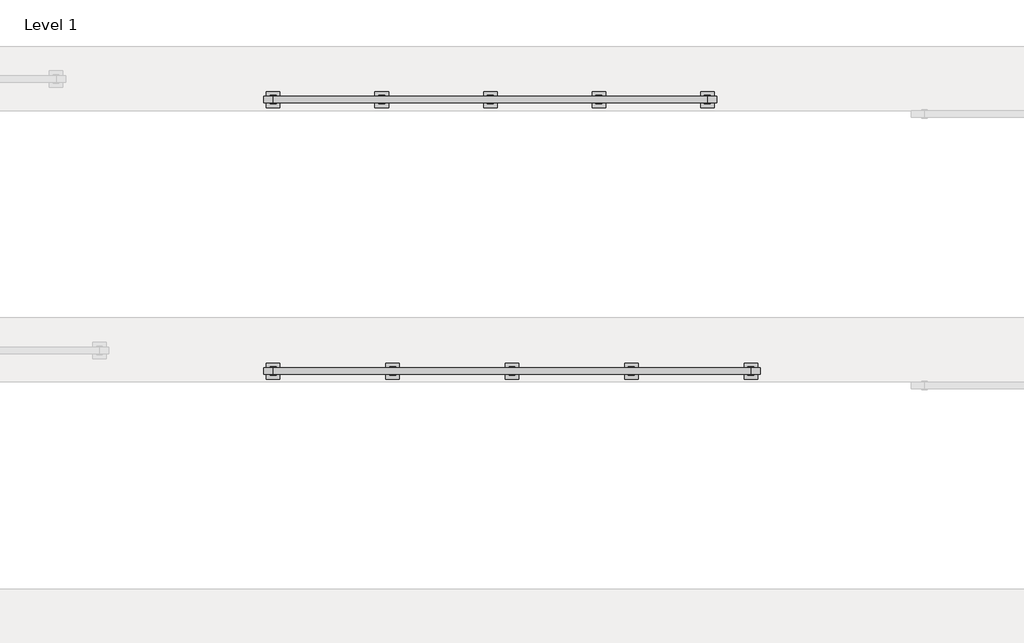
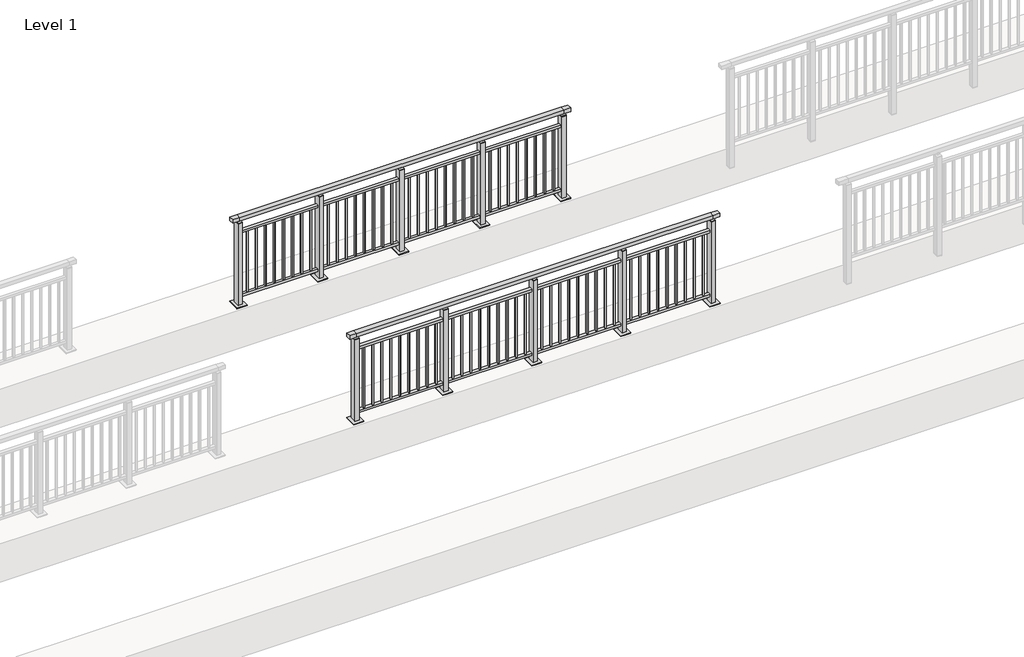
# One storey, part 6 of 38: 2 railings.
"""IFC4 building model written with IfcOpenShell, lengths in millimetres."""

from ifc_helpers import new_model, si_unit, frame, origin, origin_with_axes, place, context, project, spatial, polyline, outline, extrude, faceted_brep, element, save

model = new_model("IFC4")

# Units and contexts
model_context = context("Model", 3, world=origin())
ifc_project = project(units=[si_unit("LENGTHUNIT", "METRE", prefix="MILLI")], contexts=[model_context])

# Site, building, storey
site = spatial("IfcSite", under=ifc_project)
building = spatial("IfcBuilding", under=site)
storey = spatial("IfcBuildingStorey", under=building, Name="Level 1", Elevation=0.0)

# Railings
placement = place(None, origin())
element("IfcRailing", 1, at=placement, inside=storey, context=model_context, shape_type="SolidModel", body=[
    faceted_brep([(6000.0, 5030.1846828, 1102.5), (6000.0, 5030.1846828, 1150.0), (10400.0, 5030.1846828, 1150.0), (10400.0, 5030.1846828, 1102.5), (6000.0, 4970.1846828, 1102.5), (10400.0, 4970.1846828, 1102.5), (6000.0, 4970.1846828, 1150.0), (10400.0, 4970.1846828, 1150.0), (5912.5, 5030.1846828, 1150.0), (5912.5, 5030.1846828, 1102.5), (5912.5, 4970.1846828, 1102.5), (5912.5, 4970.1846828, 1150.0), (10487.5, 5030.1846828, 1150.0), (10487.5, 4970.1846828, 1150.0), (10487.5, 4970.1846828, 1102.5), (10487.5, 5030.1846828, 1102.5)], [[[0, 1, 2, 3]], [[4, 0, 3, 5]], [[6, 4, 5, 7]], [[1, 6, 7, 2]], [[8, 9, 10, 11]], [[9, 8, 1, 0]], [[10, 9, 0, 4]], [[11, 10, 4, 6]], [[8, 11, 6, 1]], [[12, 13, 14, 15]], [[3, 2, 12, 15]], [[5, 3, 15, 14]], [[7, 5, 14, 13]], [[2, 7, 13, 12]]]),
    extrude(outline(polyline([(6000.0, 4982.1846828), (6000.0, 5018.1846828), (10400.0, 5018.1846828), (10400.0, 4982.1846828), (6000.0, 4982.1846828)])), frame((0.0, 0.0, 928.0), z_axis=(0.0, 0.0, 1.0), x_axis=(1.0, 0.0, 0.0)), (0.0, 0.0, 1.0), 32.0),
    extrude(outline(polyline([(6000.0, 4982.1846828), (6000.0, 5018.1846828), (10400.0, 5018.1846828), (10400.0, 4982.1846828), (6000.0, 4982.1846828)])), frame((0.0, 0.0, 93.0), z_axis=(0.0, 0.0, 1.0), x_axis=(1.0, 0.0, 0.0)), (0.0, 0.0, 1.0), 32.0),
    extrude(outline(polyline([(10306.5, 5008.6846828), (10306.5, 4991.6846828), (10289.5, 4991.6846828), (10289.5, 5008.6846828), (10306.5, 5008.6846828)])), frame((0.0, 0.0, 125.0), z_axis=(0.0, 0.0, 1.0), x_axis=(1.0, 0.0, 0.0)), (0.0, 0.0, 1.0), 803.0),
    extrude(outline(polyline([(10194.5, 5008.6846828), (10194.5, 4991.6846828), (10177.5, 4991.6846828), (10177.5, 5008.6846828), (10194.5, 5008.6846828)])), frame((0.0, 0.0, 125.0), z_axis=(0.0, 0.0, 1.0), x_axis=(1.0, 0.0, 0.0)), (0.0, 0.0, 1.0), 803.0),
    extrude(outline(polyline([(10082.5, 5008.6846828), (10082.5, 4991.6846828), (10065.5, 4991.6846828), (10065.5, 5008.6846828), (10082.5, 5008.6846828)])), frame((0.0, 0.0, 125.0), z_axis=(0.0, 0.0, 1.0), x_axis=(1.0, 0.0, 0.0)), (0.0, 0.0, 1.0), 803.0),
    extrude(outline(polyline([(9970.5, 5008.6846828), (9970.5, 4991.6846828), (9953.5, 4991.6846828), (9953.5, 5008.6846828), (9970.5, 5008.6846828)])), frame((0.0, 0.0, 125.0), z_axis=(0.0, 0.0, 1.0), x_axis=(1.0, 0.0, 0.0)), (0.0, 0.0, 1.0), 803.0),
    extrude(outline(polyline([(9858.5, 5008.6846828), (9858.5, 4991.6846828), (9841.5, 4991.6846828), (9841.5, 5008.6846828), (9858.5, 5008.6846828)])), frame((0.0, 0.0, 125.0), z_axis=(0.0, 0.0, 1.0), x_axis=(1.0, 0.0, 0.0)), (0.0, 0.0, 1.0), 803.0),
    extrude(outline(polyline([(9746.5, 5008.6846828), (9746.5, 4991.6846828), (9729.5, 4991.6846828), (9729.5, 5008.6846828), (9746.5, 5008.6846828)])), frame((0.0, 0.0, 125.0), z_axis=(0.0, 0.0, 1.0), x_axis=(1.0, 0.0, 0.0)), (0.0, 0.0, 1.0), 803.0),
    extrude(outline(polyline([(9634.5, 5008.6846828), (9634.5, 4991.6846828), (9617.5, 4991.6846828), (9617.5, 5008.6846828), (9634.5, 5008.6846828)])), frame((0.0, 0.0, 125.0), z_axis=(0.0, 0.0, 1.0), x_axis=(1.0, 0.0, 0.0)), (0.0, 0.0, 1.0), 803.0),
    extrude(outline(polyline([(9522.5, 5008.6846828), (9522.5, 4991.6846828), (9505.5, 4991.6846828), (9505.5, 5008.6846828), (9522.5, 5008.6846828)])), frame((0.0, 0.0, 125.0), z_axis=(0.0, 0.0, 1.0), x_axis=(1.0, 0.0, 0.0)), (0.0, 0.0, 1.0), 803.0),
    extrude(outline(polyline([(9410.5, 5008.6846828), (9410.5, 4991.6846828), (9393.5, 4991.6846828), (9393.5, 5008.6846828), (9410.5, 5008.6846828)])), frame((0.0, 0.0, 125.0), z_axis=(0.0, 0.0, 1.0), x_axis=(1.0, 0.0, 0.0)), (0.0, 0.0, 1.0), 803.0),
    extrude(outline(polyline([(9310.0, 4990.1846828), (9290.0, 4990.1846828), (9290.0, 5010.1846828), (9310.0, 5010.1846828), (9310.0, 4990.1846828)])), frame((0.0, 0.0, 1085.0), z_axis=(0.0, 0.0, 1.0), x_axis=(1.0, 0.0, 0.0)), (0.0, 0.0, 1.0), 20.0),
    extrude(outline(polyline([(9327.0, 4961.1846828), (9273.0, 4961.1846828), (9273.0, 5039.1846828), (9327.0, 5039.1846828), (9327.0, 4961.1846828)])), frame((0.0, 0.0, 1077.0), z_axis=(0.0, 0.0, 1.0), x_axis=(1.0, 0.0, 0.0)), (0.0, 0.0, 1.0), 8.0),
    extrude(outline(polyline([(9362.5, 4925.1846828), (9237.5, 4925.1846828), (9237.5, 5075.1846828), (9362.5, 5075.1846828), (9362.5, 4925.1846828)])), origin_with_axes(), (0.0, 0.0, 1.0), 12.0),
    extrude(outline(polyline([(9327.0, 4961.1846828), (9273.0, 4961.1846828), (9273.0, 5039.1846828), (9327.0, 5039.1846828), (9327.0, 4961.1846828)])), frame((0.0, 0.0, 12.0), z_axis=(0.0, 0.0, 1.0), x_axis=(1.0, 0.0, 0.0)), (0.0, 0.0, 1.0), 1065.0),
    extrude(outline(polyline([(9206.5, 5008.6846828), (9206.5, 4991.6846828), (9189.5, 4991.6846828), (9189.5, 5008.6846828), (9206.5, 5008.6846828)])), frame((0.0, 0.0, 125.0), z_axis=(0.0, 0.0, 1.0), x_axis=(1.0, 0.0, 0.0)), (0.0, 0.0, 1.0), 803.0),
    extrude(outline(polyline([(9094.5, 5008.6846828), (9094.5, 4991.6846828), (9077.5, 4991.6846828), (9077.5, 5008.6846828), (9094.5, 5008.6846828)])), frame((0.0, 0.0, 125.0), z_axis=(0.0, 0.0, 1.0), x_axis=(1.0, 0.0, 0.0)), (0.0, 0.0, 1.0), 803.0),
    extrude(outline(polyline([(8982.5, 5008.6846828), (8982.5, 4991.6846828), (8965.5, 4991.6846828), (8965.5, 5008.6846828), (8982.5, 5008.6846828)])), frame((0.0, 0.0, 125.0), z_axis=(0.0, 0.0, 1.0), x_axis=(1.0, 0.0, 0.0)), (0.0, 0.0, 1.0), 803.0),
    extrude(outline(polyline([(8870.5, 5008.6846828), (8870.5, 4991.6846828), (8853.5, 4991.6846828), (8853.5, 5008.6846828), (8870.5, 5008.6846828)])), frame((0.0, 0.0, 125.0), z_axis=(0.0, 0.0, 1.0), x_axis=(1.0, 0.0, 0.0)), (0.0, 0.0, 1.0), 803.0),
    extrude(outline(polyline([(8758.5, 5008.6846828), (8758.5, 4991.6846828), (8741.5, 4991.6846828), (8741.5, 5008.6846828), (8758.5, 5008.6846828)])), frame((0.0, 0.0, 125.0), z_axis=(0.0, 0.0, 1.0), x_axis=(1.0, 0.0, 0.0)), (0.0, 0.0, 1.0), 803.0),
    extrude(outline(polyline([(8646.5, 5008.6846828), (8646.5, 4991.6846828), (8629.5, 4991.6846828), (8629.5, 5008.6846828), (8646.5, 5008.6846828)])), frame((0.0, 0.0, 125.0), z_axis=(0.0, 0.0, 1.0), x_axis=(1.0, 0.0, 0.0)), (0.0, 0.0, 1.0), 803.0),
    extrude(outline(polyline([(8534.5, 5008.6846828), (8534.5, 4991.6846828), (8517.5, 4991.6846828), (8517.5, 5008.6846828), (8534.5, 5008.6846828)])), frame((0.0, 0.0, 125.0), z_axis=(0.0, 0.0, 1.0), x_axis=(1.0, 0.0, 0.0)), (0.0, 0.0, 1.0), 803.0),
    extrude(outline(polyline([(8422.5, 5008.6846828), (8422.5, 4991.6846828), (8405.5, 4991.6846828), (8405.5, 5008.6846828), (8422.5, 5008.6846828)])), frame((0.0, 0.0, 125.0), z_axis=(0.0, 0.0, 1.0), x_axis=(1.0, 0.0, 0.0)), (0.0, 0.0, 1.0), 803.0),
    extrude(outline(polyline([(8310.5, 5008.6846828), (8310.5, 4991.6846828), (8293.5, 4991.6846828), (8293.5, 5008.6846828), (8310.5, 5008.6846828)])), frame((0.0, 0.0, 125.0), z_axis=(0.0, 0.0, 1.0), x_axis=(1.0, 0.0, 0.0)), (0.0, 0.0, 1.0), 803.0),
    extrude(outline(polyline([(8210.0, 4990.1846828), (8190.0, 4990.1846828), (8190.0, 5010.1846828), (8210.0, 5010.1846828), (8210.0, 4990.1846828)])), frame((0.0, 0.0, 1085.0), z_axis=(0.0, 0.0, 1.0), x_axis=(1.0, 0.0, 0.0)), (0.0, 0.0, 1.0), 20.0),
    extrude(outline(polyline([(8227.0, 4961.1846828), (8173.0, 4961.1846828), (8173.0, 5039.1846828), (8227.0, 5039.1846828), (8227.0, 4961.1846828)])), frame((0.0, 0.0, 1077.0), z_axis=(0.0, 0.0, 1.0), x_axis=(1.0, 0.0, 0.0)), (0.0, 0.0, 1.0), 8.0),
    extrude(outline(polyline([(8262.5, 4925.1846828), (8137.5, 4925.1846828), (8137.5, 5075.1846828), (8262.5, 5075.1846828), (8262.5, 4925.1846828)])), origin_with_axes(), (0.0, 0.0, 1.0), 12.0),
    extrude(outline(polyline([(8227.0, 4961.1846828), (8173.0, 4961.1846828), (8173.0, 5039.1846828), (8227.0, 5039.1846828), (8227.0, 4961.1846828)])), frame((0.0, 0.0, 12.0), z_axis=(0.0, 0.0, 1.0), x_axis=(1.0, 0.0, 0.0)), (0.0, 0.0, 1.0), 1065.0),
    extrude(outline(polyline([(8106.5, 5008.6846828), (8106.5, 4991.6846828), (8089.5, 4991.6846828), (8089.5, 5008.6846828), (8106.5, 5008.6846828)])), frame((0.0, 0.0, 125.0), z_axis=(0.0, 0.0, 1.0), x_axis=(1.0, 0.0, 0.0)), (0.0, 0.0, 1.0), 803.0),
    extrude(outline(polyline([(7994.5, 5008.6846828), (7994.5, 4991.6846828), (7977.5, 4991.6846828), (7977.5, 5008.6846828), (7994.5, 5008.6846828)])), frame((0.0, 0.0, 125.0), z_axis=(0.0, 0.0, 1.0), x_axis=(1.0, 0.0, 0.0)), (0.0, 0.0, 1.0), 803.0),
    extrude(outline(polyline([(7882.5, 5008.6846828), (7882.5, 4991.6846828), (7865.5, 4991.6846828), (7865.5, 5008.6846828), (7882.5, 5008.6846828)])), frame((0.0, 0.0, 125.0), z_axis=(0.0, 0.0, 1.0), x_axis=(1.0, 0.0, 0.0)), (0.0, 0.0, 1.0), 803.0),
    extrude(outline(polyline([(7770.5, 5008.6846828), (7770.5, 4991.6846828), (7753.5, 4991.6846828), (7753.5, 5008.6846828), (7770.5, 5008.6846828)])), frame((0.0, 0.0, 125.0), z_axis=(0.0, 0.0, 1.0), x_axis=(1.0, 0.0, 0.0)), (0.0, 0.0, 1.0), 803.0),
    extrude(outline(polyline([(7658.5, 5008.6846828), (7658.5, 4991.6846828), (7641.5, 4991.6846828), (7641.5, 5008.6846828), (7658.5, 5008.6846828)])), frame((0.0, 0.0, 125.0), z_axis=(0.0, 0.0, 1.0), x_axis=(1.0, 0.0, 0.0)), (0.0, 0.0, 1.0), 803.0),
    extrude(outline(polyline([(7546.5, 5008.6846828), (7546.5, 4991.6846828), (7529.5, 4991.6846828), (7529.5, 5008.6846828), (7546.5, 5008.6846828)])), frame((0.0, 0.0, 125.0), z_axis=(0.0, 0.0, 1.0), x_axis=(1.0, 0.0, 0.0)), (0.0, 0.0, 1.0), 803.0),
    extrude(outline(polyline([(7434.5, 5008.6846828), (7434.5, 4991.6846828), (7417.5, 4991.6846828), (7417.5, 5008.6846828), (7434.5, 5008.6846828)])), frame((0.0, 0.0, 125.0), z_axis=(0.0, 0.0, 1.0), x_axis=(1.0, 0.0, 0.0)), (0.0, 0.0, 1.0), 803.0),
    extrude(outline(polyline([(7322.5, 5008.6846828), (7322.5, 4991.6846828), (7305.5, 4991.6846828), (7305.5, 5008.6846828), (7322.5, 5008.6846828)])), frame((0.0, 0.0, 125.0), z_axis=(0.0, 0.0, 1.0), x_axis=(1.0, 0.0, 0.0)), (0.0, 0.0, 1.0), 803.0),
    extrude(outline(polyline([(7210.5, 5008.6846828), (7210.5, 4991.6846828), (7193.5, 4991.6846828), (7193.5, 5008.6846828), (7210.5, 5008.6846828)])), frame((0.0, 0.0, 125.0), z_axis=(0.0, 0.0, 1.0), x_axis=(1.0, 0.0, 0.0)), (0.0, 0.0, 1.0), 803.0),
    extrude(outline(polyline([(7110.0, 4990.1846828), (7090.0, 4990.1846828), (7090.0, 5010.1846828), (7110.0, 5010.1846828), (7110.0, 4990.1846828)])), frame((0.0, 0.0, 1085.0), z_axis=(0.0, 0.0, 1.0), x_axis=(1.0, 0.0, 0.0)), (0.0, 0.0, 1.0), 20.0),
    extrude(outline(polyline([(7127.0, 4961.1846828), (7073.0, 4961.1846828), (7073.0, 5039.1846828), (7127.0, 5039.1846828), (7127.0, 4961.1846828)])), frame((0.0, 0.0, 1077.0), z_axis=(0.0, 0.0, 1.0), x_axis=(1.0, 0.0, 0.0)), (0.0, 0.0, 1.0), 8.0),
    extrude(outline(polyline([(7162.5, 4925.1846828), (7037.5, 4925.1846828), (7037.5, 5075.1846828), (7162.5, 5075.1846828), (7162.5, 4925.1846828)])), origin_with_axes(), (0.0, 0.0, 1.0), 12.0),
    extrude(outline(polyline([(7127.0, 4961.1846828), (7073.0, 4961.1846828), (7073.0, 5039.1846828), (7127.0, 5039.1846828), (7127.0, 4961.1846828)])), frame((0.0, 0.0, 12.0), z_axis=(0.0, 0.0, 1.0), x_axis=(1.0, 0.0, 0.0)), (0.0, 0.0, 1.0), 1065.0),
    extrude(outline(polyline([(7006.5, 5008.6846828), (7006.5, 4991.6846828), (6989.5, 4991.6846828), (6989.5, 5008.6846828), (7006.5, 5008.6846828)])), frame((0.0, 0.0, 125.0), z_axis=(0.0, 0.0, 1.0), x_axis=(1.0, 0.0, 0.0)), (0.0, 0.0, 1.0), 803.0),
    extrude(outline(polyline([(6894.5, 5008.6846828), (6894.5, 4991.6846828), (6877.5, 4991.6846828), (6877.5, 5008.6846828), (6894.5, 5008.6846828)])), frame((0.0, 0.0, 125.0), z_axis=(0.0, 0.0, 1.0), x_axis=(1.0, 0.0, 0.0)), (0.0, 0.0, 1.0), 803.0),
    extrude(outline(polyline([(6782.5, 5008.6846828), (6782.5, 4991.6846828), (6765.5, 4991.6846828), (6765.5, 5008.6846828), (6782.5, 5008.6846828)])), frame((0.0, 0.0, 125.0), z_axis=(0.0, 0.0, 1.0), x_axis=(1.0, 0.0, 0.0)), (0.0, 0.0, 1.0), 803.0),
    extrude(outline(polyline([(6670.5, 5008.6846828), (6670.5, 4991.6846828), (6653.5, 4991.6846828), (6653.5, 5008.6846828), (6670.5, 5008.6846828)])), frame((0.0, 0.0, 125.0), z_axis=(0.0, 0.0, 1.0), x_axis=(1.0, 0.0, 0.0)), (0.0, 0.0, 1.0), 803.0),
    extrude(outline(polyline([(6558.5, 5008.6846828), (6558.5, 4991.6846828), (6541.5, 4991.6846828), (6541.5, 5008.6846828), (6558.5, 5008.6846828)])), frame((0.0, 0.0, 125.0), z_axis=(0.0, 0.0, 1.0), x_axis=(1.0, 0.0, 0.0)), (0.0, 0.0, 1.0), 803.0),
    extrude(outline(polyline([(6446.5, 5008.6846828), (6446.5, 4991.6846828), (6429.5, 4991.6846828), (6429.5, 5008.6846828), (6446.5, 5008.6846828)])), frame((0.0, 0.0, 125.0), z_axis=(0.0, 0.0, 1.0), x_axis=(1.0, 0.0, 0.0)), (0.0, 0.0, 1.0), 803.0),
    extrude(outline(polyline([(6334.5, 5008.6846828), (6334.5, 4991.6846828), (6317.5, 4991.6846828), (6317.5, 5008.6846828), (6334.5, 5008.6846828)])), frame((0.0, 0.0, 125.0), z_axis=(0.0, 0.0, 1.0), x_axis=(1.0, 0.0, 0.0)), (0.0, 0.0, 1.0), 803.0),
    extrude(outline(polyline([(6222.5, 5008.6846828), (6222.5, 4991.6846828), (6205.5, 4991.6846828), (6205.5, 5008.6846828), (6222.5, 5008.6846828)])), frame((0.0, 0.0, 125.0), z_axis=(0.0, 0.0, 1.0), x_axis=(1.0, 0.0, 0.0)), (0.0, 0.0, 1.0), 803.0),
    extrude(outline(polyline([(6110.5, 5008.6846828), (6110.5, 4991.6846828), (6093.5, 4991.6846828), (6093.5, 5008.6846828), (6110.5, 5008.6846828)])), frame((0.0, 0.0, 125.0), z_axis=(0.0, 0.0, 1.0), x_axis=(1.0, 0.0, 0.0)), (0.0, 0.0, 1.0), 803.0),
    extrude(outline(polyline([(10410.0, 4990.1846828), (10390.0, 4990.1846828), (10390.0, 5010.1846828), (10410.0, 5010.1846828), (10410.0, 4990.1846828)])), frame((0.0, 0.0, 1085.0), z_axis=(0.0, 0.0, 1.0), x_axis=(1.0, 0.0, 0.0)), (0.0, 0.0, 1.0), 20.0),
    extrude(outline(polyline([(10427.0, 4961.1846828), (10373.0, 4961.1846828), (10373.0, 5039.1846828), (10427.0, 5039.1846828), (10427.0, 4961.1846828)])), frame((0.0, 0.0, 1077.0), z_axis=(0.0, 0.0, 1.0), x_axis=(1.0, 0.0, 0.0)), (0.0, 0.0, 1.0), 8.0),
    extrude(outline(polyline([(10462.5, 4925.1846828), (10337.5, 4925.1846828), (10337.5, 5075.1846828), (10462.5, 5075.1846828), (10462.5, 4925.1846828)])), origin_with_axes(), (0.0, 0.0, 1.0), 12.0),
    extrude(outline(polyline([(10427.0, 4961.1846828), (10373.0, 4961.1846828), (10373.0, 5039.1846828), (10427.0, 5039.1846828), (10427.0, 4961.1846828)])), frame((0.0, 0.0, 12.0), z_axis=(0.0, 0.0, 1.0), x_axis=(1.0, 0.0, 0.0)), (0.0, 0.0, 1.0), 1065.0),
    extrude(outline(polyline([(6010.0, 4990.1846828), (5990.0, 4990.1846828), (5990.0, 5010.1846828), (6010.0, 5010.1846828), (6010.0, 4990.1846828)])), frame((0.0, 0.0, 1085.0), z_axis=(0.0, 0.0, 1.0), x_axis=(1.0, 0.0, 0.0)), (0.0, 0.0, 1.0), 20.0),
    extrude(outline(polyline([(6027.0, 4961.1846828), (5973.0, 4961.1846828), (5973.0, 5039.1846828), (6027.0, 5039.1846828), (6027.0, 4961.1846828)])), frame((0.0, 0.0, 1077.0), z_axis=(0.0, 0.0, 1.0), x_axis=(1.0, 0.0, 0.0)), (0.0, 0.0, 1.0), 8.0),
    extrude(outline(polyline([(6062.5, 4925.1846828), (5937.5, 4925.1846828), (5937.5, 5075.1846828), (6062.5, 5075.1846828), (6062.5, 4925.1846828)])), origin_with_axes(), (0.0, 0.0, 1.0), 12.0),
    extrude(outline(polyline([(6027.0, 4961.1846828), (5973.0, 4961.1846828), (5973.0, 5039.1846828), (6027.0, 5039.1846828), (6027.0, 4961.1846828)])), frame((0.0, 0.0, 12.0), z_axis=(0.0, 0.0, 1.0), x_axis=(1.0, 0.0, 0.0)), (0.0, 0.0, 1.0), 1065.0),
])
element("IfcRailing", 2, at=placement, inside=storey, context=model_context, shape_type="SolidModel", body=[
    faceted_brep([(6000.0, 7530.1846828, 1102.5), (6000.0, 7530.1846828, 1150.0), (10000.0, 7530.1846828, 1150.0), (10000.0, 7530.1846828, 1102.5), (6000.0, 7470.1846828, 1102.5), (10000.0, 7470.1846828, 1102.5), (6000.0, 7470.1846828, 1150.0), (10000.0, 7470.1846828, 1150.0), (5912.5, 7530.1846828, 1150.0), (5912.5, 7530.1846828, 1102.5), (5912.5, 7470.1846828, 1102.5), (5912.5, 7470.1846828, 1150.0), (10087.5, 7530.1846828, 1150.0), (10087.5, 7470.1846828, 1150.0), (10087.5, 7470.1846828, 1102.5), (10087.5, 7530.1846828, 1102.5)], [[[0, 1, 2, 3]], [[4, 0, 3, 5]], [[6, 4, 5, 7]], [[1, 6, 7, 2]], [[8, 9, 10, 11]], [[9, 8, 1, 0]], [[10, 9, 0, 4]], [[11, 10, 4, 6]], [[8, 11, 6, 1]], [[12, 13, 14, 15]], [[3, 2, 12, 15]], [[5, 3, 15, 14]], [[7, 5, 14, 13]], [[2, 7, 13, 12]]]),
    extrude(outline(polyline([(6000.0, 7482.1846828), (6000.0, 7518.1846828), (10000.0, 7518.1846828), (10000.0, 7482.1846828), (6000.0, 7482.1846828)])), frame((0.0, 0.0, 928.0), z_axis=(0.0, 0.0, 1.0), x_axis=(1.0, 0.0, 0.0)), (0.0, 0.0, 1.0), 32.0),
    extrude(outline(polyline([(6000.0, 7482.1846828), (6000.0, 7518.1846828), (10000.0, 7518.1846828), (10000.0, 7482.1846828), (6000.0, 7482.1846828)])), frame((0.0, 0.0, 93.0), z_axis=(0.0, 0.0, 1.0), x_axis=(1.0, 0.0, 0.0)), (0.0, 0.0, 1.0), 32.0),
    extrude(outline(polyline([(9900.5, 7508.6846828), (9900.5, 7491.6846828), (9883.5, 7491.6846828), (9883.5, 7508.6846828), (9900.5, 7508.6846828)])), frame((0.0, 0.0, 125.0), z_axis=(0.0, 0.0, 1.0), x_axis=(1.0, 0.0, 0.0)), (0.0, 0.0, 1.0), 803.0),
    extrude(outline(polyline([(9788.5, 7508.6846828), (9788.5, 7491.6846828), (9771.5, 7491.6846828), (9771.5, 7508.6846828), (9788.5, 7508.6846828)])), frame((0.0, 0.0, 125.0), z_axis=(0.0, 0.0, 1.0), x_axis=(1.0, 0.0, 0.0)), (0.0, 0.0, 1.0), 803.0),
    extrude(outline(polyline([(9676.5, 7508.6846828), (9676.5, 7491.6846828), (9659.5, 7491.6846828), (9659.5, 7508.6846828), (9676.5, 7508.6846828)])), frame((0.0, 0.0, 125.0), z_axis=(0.0, 0.0, 1.0), x_axis=(1.0, 0.0, 0.0)), (0.0, 0.0, 1.0), 803.0),
    extrude(outline(polyline([(9564.5, 7508.6846828), (9564.5, 7491.6846828), (9547.5, 7491.6846828), (9547.5, 7508.6846828), (9564.5, 7508.6846828)])), frame((0.0, 0.0, 125.0), z_axis=(0.0, 0.0, 1.0), x_axis=(1.0, 0.0, 0.0)), (0.0, 0.0, 1.0), 803.0),
    extrude(outline(polyline([(9452.5, 7508.6846828), (9452.5, 7491.6846828), (9435.5, 7491.6846828), (9435.5, 7508.6846828), (9452.5, 7508.6846828)])), frame((0.0, 0.0, 125.0), z_axis=(0.0, 0.0, 1.0), x_axis=(1.0, 0.0, 0.0)), (0.0, 0.0, 1.0), 803.0),
    extrude(outline(polyline([(9340.5, 7508.6846828), (9340.5, 7491.6846828), (9323.5, 7491.6846828), (9323.5, 7508.6846828), (9340.5, 7508.6846828)])), frame((0.0, 0.0, 125.0), z_axis=(0.0, 0.0, 1.0), x_axis=(1.0, 0.0, 0.0)), (0.0, 0.0, 1.0), 803.0),
    extrude(outline(polyline([(9228.5, 7508.6846828), (9228.5, 7491.6846828), (9211.5, 7491.6846828), (9211.5, 7508.6846828), (9228.5, 7508.6846828)])), frame((0.0, 0.0, 125.0), z_axis=(0.0, 0.0, 1.0), x_axis=(1.0, 0.0, 0.0)), (0.0, 0.0, 1.0), 803.0),
    extrude(outline(polyline([(9116.5, 7508.6846828), (9116.5, 7491.6846828), (9099.5, 7491.6846828), (9099.5, 7508.6846828), (9116.5, 7508.6846828)])), frame((0.0, 0.0, 125.0), z_axis=(0.0, 0.0, 1.0), x_axis=(1.0, 0.0, 0.0)), (0.0, 0.0, 1.0), 803.0),
    extrude(outline(polyline([(9010.0, 7490.1846828), (8990.0, 7490.1846828), (8990.0, 7510.1846828), (9010.0, 7510.1846828), (9010.0, 7490.1846828)])), frame((0.0, 0.0, 1085.0), z_axis=(0.0, 0.0, 1.0), x_axis=(1.0, 0.0, 0.0)), (0.0, 0.0, 1.0), 20.0),
    extrude(outline(polyline([(9027.0, 7461.1846828), (8973.0, 7461.1846828), (8973.0, 7539.1846828), (9027.0, 7539.1846828), (9027.0, 7461.1846828)])), frame((0.0, 0.0, 1077.0), z_axis=(0.0, 0.0, 1.0), x_axis=(1.0, 0.0, 0.0)), (0.0, 0.0, 1.0), 8.0),
    extrude(outline(polyline([(9062.5, 7425.1846828), (8937.5, 7425.1846828), (8937.5, 7575.1846828), (9062.5, 7575.1846828), (9062.5, 7425.1846828)])), origin_with_axes(), (0.0, 0.0, 1.0), 12.0),
    extrude(outline(polyline([(9027.0, 7461.1846828), (8973.0, 7461.1846828), (8973.0, 7539.1846828), (9027.0, 7539.1846828), (9027.0, 7461.1846828)])), frame((0.0, 0.0, 12.0), z_axis=(0.0, 0.0, 1.0), x_axis=(1.0, 0.0, 0.0)), (0.0, 0.0, 1.0), 1065.0),
    extrude(outline(polyline([(8900.5, 7508.6846828), (8900.5, 7491.6846828), (8883.5, 7491.6846828), (8883.5, 7508.6846828), (8900.5, 7508.6846828)])), frame((0.0, 0.0, 125.0), z_axis=(0.0, 0.0, 1.0), x_axis=(1.0, 0.0, 0.0)), (0.0, 0.0, 1.0), 803.0),
    extrude(outline(polyline([(8788.5, 7508.6846828), (8788.5, 7491.6846828), (8771.5, 7491.6846828), (8771.5, 7508.6846828), (8788.5, 7508.6846828)])), frame((0.0, 0.0, 125.0), z_axis=(0.0, 0.0, 1.0), x_axis=(1.0, 0.0, 0.0)), (0.0, 0.0, 1.0), 803.0),
    extrude(outline(polyline([(8676.5, 7508.6846828), (8676.5, 7491.6846828), (8659.5, 7491.6846828), (8659.5, 7508.6846828), (8676.5, 7508.6846828)])), frame((0.0, 0.0, 125.0), z_axis=(0.0, 0.0, 1.0), x_axis=(1.0, 0.0, 0.0)), (0.0, 0.0, 1.0), 803.0),
    extrude(outline(polyline([(8564.5, 7508.6846828), (8564.5, 7491.6846828), (8547.5, 7491.6846828), (8547.5, 7508.6846828), (8564.5, 7508.6846828)])), frame((0.0, 0.0, 125.0), z_axis=(0.0, 0.0, 1.0), x_axis=(1.0, 0.0, 0.0)), (0.0, 0.0, 1.0), 803.0),
    extrude(outline(polyline([(8452.5, 7508.6846828), (8452.5, 7491.6846828), (8435.5, 7491.6846828), (8435.5, 7508.6846828), (8452.5, 7508.6846828)])), frame((0.0, 0.0, 125.0), z_axis=(0.0, 0.0, 1.0), x_axis=(1.0, 0.0, 0.0)), (0.0, 0.0, 1.0), 803.0),
    extrude(outline(polyline([(8340.5, 7508.6846828), (8340.5, 7491.6846828), (8323.5, 7491.6846828), (8323.5, 7508.6846828), (8340.5, 7508.6846828)])), frame((0.0, 0.0, 125.0), z_axis=(0.0, 0.0, 1.0), x_axis=(1.0, 0.0, 0.0)), (0.0, 0.0, 1.0), 803.0),
    extrude(outline(polyline([(8228.5, 7508.6846828), (8228.5, 7491.6846828), (8211.5, 7491.6846828), (8211.5, 7508.6846828), (8228.5, 7508.6846828)])), frame((0.0, 0.0, 125.0), z_axis=(0.0, 0.0, 1.0), x_axis=(1.0, 0.0, 0.0)), (0.0, 0.0, 1.0), 803.0),
    extrude(outline(polyline([(8116.5, 7508.6846828), (8116.5, 7491.6846828), (8099.5, 7491.6846828), (8099.5, 7508.6846828), (8116.5, 7508.6846828)])), frame((0.0, 0.0, 125.0), z_axis=(0.0, 0.0, 1.0), x_axis=(1.0, 0.0, 0.0)), (0.0, 0.0, 1.0), 803.0),
    extrude(outline(polyline([(8010.0, 7490.1846828), (7990.0, 7490.1846828), (7990.0, 7510.1846828), (8010.0, 7510.1846828), (8010.0, 7490.1846828)])), frame((0.0, 0.0, 1085.0), z_axis=(0.0, 0.0, 1.0), x_axis=(1.0, 0.0, 0.0)), (0.0, 0.0, 1.0), 20.0),
    extrude(outline(polyline([(8027.0, 7461.1846828), (7973.0, 7461.1846828), (7973.0, 7539.1846828), (8027.0, 7539.1846828), (8027.0, 7461.1846828)])), frame((0.0, 0.0, 1077.0), z_axis=(0.0, 0.0, 1.0), x_axis=(1.0, 0.0, 0.0)), (0.0, 0.0, 1.0), 8.0),
    extrude(outline(polyline([(8062.5, 7425.1846828), (7937.5, 7425.1846828), (7937.5, 7575.1846828), (8062.5, 7575.1846828), (8062.5, 7425.1846828)])), origin_with_axes(), (0.0, 0.0, 1.0), 12.0),
    extrude(outline(polyline([(8027.0, 7461.1846828), (7973.0, 7461.1846828), (7973.0, 7539.1846828), (8027.0, 7539.1846828), (8027.0, 7461.1846828)])), frame((0.0, 0.0, 12.0), z_axis=(0.0, 0.0, 1.0), x_axis=(1.0, 0.0, 0.0)), (0.0, 0.0, 1.0), 1065.0),
    extrude(outline(polyline([(7900.5, 7508.6846828), (7900.5, 7491.6846828), (7883.5, 7491.6846828), (7883.5, 7508.6846828), (7900.5, 7508.6846828)])), frame((0.0, 0.0, 125.0), z_axis=(0.0, 0.0, 1.0), x_axis=(1.0, 0.0, 0.0)), (0.0, 0.0, 1.0), 803.0),
    extrude(outline(polyline([(7788.5, 7508.6846828), (7788.5, 7491.6846828), (7771.5, 7491.6846828), (7771.5, 7508.6846828), (7788.5, 7508.6846828)])), frame((0.0, 0.0, 125.0), z_axis=(0.0, 0.0, 1.0), x_axis=(1.0, 0.0, 0.0)), (0.0, 0.0, 1.0), 803.0),
    extrude(outline(polyline([(7676.5, 7508.6846828), (7676.5, 7491.6846828), (7659.5, 7491.6846828), (7659.5, 7508.6846828), (7676.5, 7508.6846828)])), frame((0.0, 0.0, 125.0), z_axis=(0.0, 0.0, 1.0), x_axis=(1.0, 0.0, 0.0)), (0.0, 0.0, 1.0), 803.0),
    extrude(outline(polyline([(7564.5, 7508.6846828), (7564.5, 7491.6846828), (7547.5, 7491.6846828), (7547.5, 7508.6846828), (7564.5, 7508.6846828)])), frame((0.0, 0.0, 125.0), z_axis=(0.0, 0.0, 1.0), x_axis=(1.0, 0.0, 0.0)), (0.0, 0.0, 1.0), 803.0),
    extrude(outline(polyline([(7452.5, 7508.6846828), (7452.5, 7491.6846828), (7435.5, 7491.6846828), (7435.5, 7508.6846828), (7452.5, 7508.6846828)])), frame((0.0, 0.0, 125.0), z_axis=(0.0, 0.0, 1.0), x_axis=(1.0, 0.0, 0.0)), (0.0, 0.0, 1.0), 803.0),
    extrude(outline(polyline([(7340.5, 7508.6846828), (7340.5, 7491.6846828), (7323.5, 7491.6846828), (7323.5, 7508.6846828), (7340.5, 7508.6846828)])), frame((0.0, 0.0, 125.0), z_axis=(0.0, 0.0, 1.0), x_axis=(1.0, 0.0, 0.0)), (0.0, 0.0, 1.0), 803.0),
    extrude(outline(polyline([(7228.5, 7508.6846828), (7228.5, 7491.6846828), (7211.5, 7491.6846828), (7211.5, 7508.6846828), (7228.5, 7508.6846828)])), frame((0.0, 0.0, 125.0), z_axis=(0.0, 0.0, 1.0), x_axis=(1.0, 0.0, 0.0)), (0.0, 0.0, 1.0), 803.0),
    extrude(outline(polyline([(7116.5, 7508.6846828), (7116.5, 7491.6846828), (7099.5, 7491.6846828), (7099.5, 7508.6846828), (7116.5, 7508.6846828)])), frame((0.0, 0.0, 125.0), z_axis=(0.0, 0.0, 1.0), x_axis=(1.0, 0.0, 0.0)), (0.0, 0.0, 1.0), 803.0),
    extrude(outline(polyline([(7010.0, 7490.1846828), (6990.0, 7490.1846828), (6990.0, 7510.1846828), (7010.0, 7510.1846828), (7010.0, 7490.1846828)])), frame((0.0, 0.0, 1085.0), z_axis=(0.0, 0.0, 1.0), x_axis=(1.0, 0.0, 0.0)), (0.0, 0.0, 1.0), 20.0),
    extrude(outline(polyline([(7027.0, 7461.1846828), (6973.0, 7461.1846828), (6973.0, 7539.1846828), (7027.0, 7539.1846828), (7027.0, 7461.1846828)])), frame((0.0, 0.0, 1077.0), z_axis=(0.0, 0.0, 1.0), x_axis=(1.0, 0.0, 0.0)), (0.0, 0.0, 1.0), 8.0),
    extrude(outline(polyline([(7062.5, 7425.1846828), (6937.5, 7425.1846828), (6937.5, 7575.1846828), (7062.5, 7575.1846828), (7062.5, 7425.1846828)])), origin_with_axes(), (0.0, 0.0, 1.0), 12.0),
    extrude(outline(polyline([(7027.0, 7461.1846828), (6973.0, 7461.1846828), (6973.0, 7539.1846828), (7027.0, 7539.1846828), (7027.0, 7461.1846828)])), frame((0.0, 0.0, 12.0), z_axis=(0.0, 0.0, 1.0), x_axis=(1.0, 0.0, 0.0)), (0.0, 0.0, 1.0), 1065.0),
    extrude(outline(polyline([(6900.5, 7508.6846828), (6900.5, 7491.6846828), (6883.5, 7491.6846828), (6883.5, 7508.6846828), (6900.5, 7508.6846828)])), frame((0.0, 0.0, 125.0), z_axis=(0.0, 0.0, 1.0), x_axis=(1.0, 0.0, 0.0)), (0.0, 0.0, 1.0), 803.0),
    extrude(outline(polyline([(6788.5, 7508.6846828), (6788.5, 7491.6846828), (6771.5, 7491.6846828), (6771.5, 7508.6846828), (6788.5, 7508.6846828)])), frame((0.0, 0.0, 125.0), z_axis=(0.0, 0.0, 1.0), x_axis=(1.0, 0.0, 0.0)), (0.0, 0.0, 1.0), 803.0),
    extrude(outline(polyline([(6676.5, 7508.6846828), (6676.5, 7491.6846828), (6659.5, 7491.6846828), (6659.5, 7508.6846828), (6676.5, 7508.6846828)])), frame((0.0, 0.0, 125.0), z_axis=(0.0, 0.0, 1.0), x_axis=(1.0, 0.0, 0.0)), (0.0, 0.0, 1.0), 803.0),
    extrude(outline(polyline([(6564.5, 7508.6846828), (6564.5, 7491.6846828), (6547.5, 7491.6846828), (6547.5, 7508.6846828), (6564.5, 7508.6846828)])), frame((0.0, 0.0, 125.0), z_axis=(0.0, 0.0, 1.0), x_axis=(1.0, 0.0, 0.0)), (0.0, 0.0, 1.0), 803.0),
    extrude(outline(polyline([(6452.5, 7508.6846828), (6452.5, 7491.6846828), (6435.5, 7491.6846828), (6435.5, 7508.6846828), (6452.5, 7508.6846828)])), frame((0.0, 0.0, 125.0), z_axis=(0.0, 0.0, 1.0), x_axis=(1.0, 0.0, 0.0)), (0.0, 0.0, 1.0), 803.0),
    extrude(outline(polyline([(6340.5, 7508.6846828), (6340.5, 7491.6846828), (6323.5, 7491.6846828), (6323.5, 7508.6846828), (6340.5, 7508.6846828)])), frame((0.0, 0.0, 125.0), z_axis=(0.0, 0.0, 1.0), x_axis=(1.0, 0.0, 0.0)), (0.0, 0.0, 1.0), 803.0),
    extrude(outline(polyline([(6228.5, 7508.6846828), (6228.5, 7491.6846828), (6211.5, 7491.6846828), (6211.5, 7508.6846828), (6228.5, 7508.6846828)])), frame((0.0, 0.0, 125.0), z_axis=(0.0, 0.0, 1.0), x_axis=(1.0, 0.0, 0.0)), (0.0, 0.0, 1.0), 803.0),
    extrude(outline(polyline([(6116.5, 7508.6846828), (6116.5, 7491.6846828), (6099.5, 7491.6846828), (6099.5, 7508.6846828), (6116.5, 7508.6846828)])), frame((0.0, 0.0, 125.0), z_axis=(0.0, 0.0, 1.0), x_axis=(1.0, 0.0, 0.0)), (0.0, 0.0, 1.0), 803.0),
    extrude(outline(polyline([(10010.0, 7490.1846828), (9990.0, 7490.1846828), (9990.0, 7510.1846828), (10010.0, 7510.1846828), (10010.0, 7490.1846828)])), frame((0.0, 0.0, 1085.0), z_axis=(0.0, 0.0, 1.0), x_axis=(1.0, 0.0, 0.0)), (0.0, 0.0, 1.0), 20.0),
    extrude(outline(polyline([(10027.0, 7461.1846828), (9973.0, 7461.1846828), (9973.0, 7539.1846828), (10027.0, 7539.1846828), (10027.0, 7461.1846828)])), frame((0.0, 0.0, 1077.0), z_axis=(0.0, 0.0, 1.0), x_axis=(1.0, 0.0, 0.0)), (0.0, 0.0, 1.0), 8.0),
    extrude(outline(polyline([(10062.5, 7425.1846828), (9937.5, 7425.1846828), (9937.5, 7575.1846828), (10062.5, 7575.1846828), (10062.5, 7425.1846828)])), origin_with_axes(), (0.0, 0.0, 1.0), 12.0),
    extrude(outline(polyline([(10027.0, 7461.1846828), (9973.0, 7461.1846828), (9973.0, 7539.1846828), (10027.0, 7539.1846828), (10027.0, 7461.1846828)])), frame((0.0, 0.0, 12.0), z_axis=(0.0, 0.0, 1.0), x_axis=(1.0, 0.0, 0.0)), (0.0, 0.0, 1.0), 1065.0),
    extrude(outline(polyline([(6010.0, 7490.1846828), (5990.0, 7490.1846828), (5990.0, 7510.1846828), (6010.0, 7510.1846828), (6010.0, 7490.1846828)])), frame((0.0, 0.0, 1085.0), z_axis=(0.0, 0.0, 1.0), x_axis=(1.0, 0.0, 0.0)), (0.0, 0.0, 1.0), 20.0),
    extrude(outline(polyline([(6027.0, 7461.1846828), (5973.0, 7461.1846828), (5973.0, 7539.1846828), (6027.0, 7539.1846828), (6027.0, 7461.1846828)])), frame((0.0, 0.0, 1077.0), z_axis=(0.0, 0.0, 1.0), x_axis=(1.0, 0.0, 0.0)), (0.0, 0.0, 1.0), 8.0),
    extrude(outline(polyline([(6062.5, 7425.1846828), (5937.5, 7425.1846828), (5937.5, 7575.1846828), (6062.5, 7575.1846828), (6062.5, 7425.1846828)])), origin_with_axes(), (0.0, 0.0, 1.0), 12.0),
    extrude(outline(polyline([(6027.0, 7461.1846828), (5973.0, 7461.1846828), (5973.0, 7539.1846828), (6027.0, 7539.1846828), (6027.0, 7461.1846828)])), frame((0.0, 0.0, 12.0), z_axis=(0.0, 0.0, 1.0), x_axis=(1.0, 0.0, 0.0)), (0.0, 0.0, 1.0), 1065.0),
])

save(model, "model.ifc")
